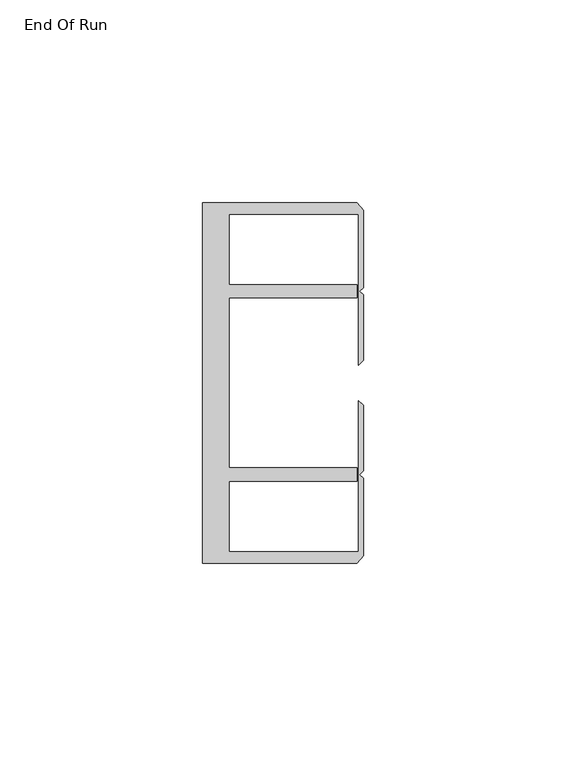
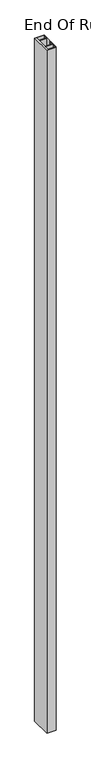
"""IFC4 building model written with IfcOpenShell, lengths in millimetres: furniture geometry, End Of Run."""

from ifc_helpers import new_model, si_unit, origin, origin_with_axes, place, context, project, spatial, polyline, outline, extrude, source, transform, mapped, element, save


def end_of_run_740ddf40(model_context):
    return source(origin(), model_context, "Body", "SweptSolid", [
        extrude(outline(polyline([(29.9771531, 59.951805), (68.0771531, 59.951805), (69.6646531, 58.0797005), (69.6646531, 39.033865), (68.7563205, 38.1255324), (69.6646531, 37.2171998), (69.6646531, 21.058055), (68.5195633, 19.9129652), (68.5195633, 57.1518064), (36.5771534, 57.1518064), (36.5771534, 39.7518058), (68.0771531, 39.7518058), (68.0771531, 36.4518057), (36.5771534, 36.4518057), (36.5771534, -5.4481956), (68.0771531, -5.4481956), (68.0771531, -8.7481957), (36.5771534, -8.7481957), (36.5771534, -26.1481963), (68.5195633, -26.1481963), (68.5195633, 11.0906449), (69.6646531, 9.945555), (69.6646531, -6.2135897), (68.7563205, -7.1219223), (69.6646531, -8.0302549), (69.6646531, -27.0760904), (68.0771531, -28.948195), (29.9771531, -28.948195), (29.9771531, 59.951805)])), origin_with_axes(), (0.0, 0.0, 1.0), 3048.0),
    ])


if __name__ == "__main__":
    model = new_model("IFC4")
    model_context = context("Model", 3, world=origin())
    ifc_project = project(units=[si_unit("LENGTHUNIT", "METRE", prefix="MILLI")], contexts=[model_context])
    site = spatial("IfcSite", under=ifc_project)
    building = spatial("IfcBuilding", under=site)
    placement = place(None, origin())
    end_of_run_shape = end_of_run_740ddf40(model_context)
    element("IfcFurniture", 1, ObjectType="End Of Run", at=placement, inside=building, context=model_context, shape_type="MappedRepresentation", body=[
        mapped(end_of_run_shape, transform((0.0, 0.0, 0.0), x_axis=(1.0, 0.0, 0.0), y_axis=(0.0, 1.0, 0.0), z_axis=(0.0, 0.0, 1.0))),
    ])
    save(model, "model.ifc")
